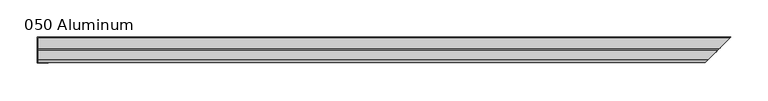
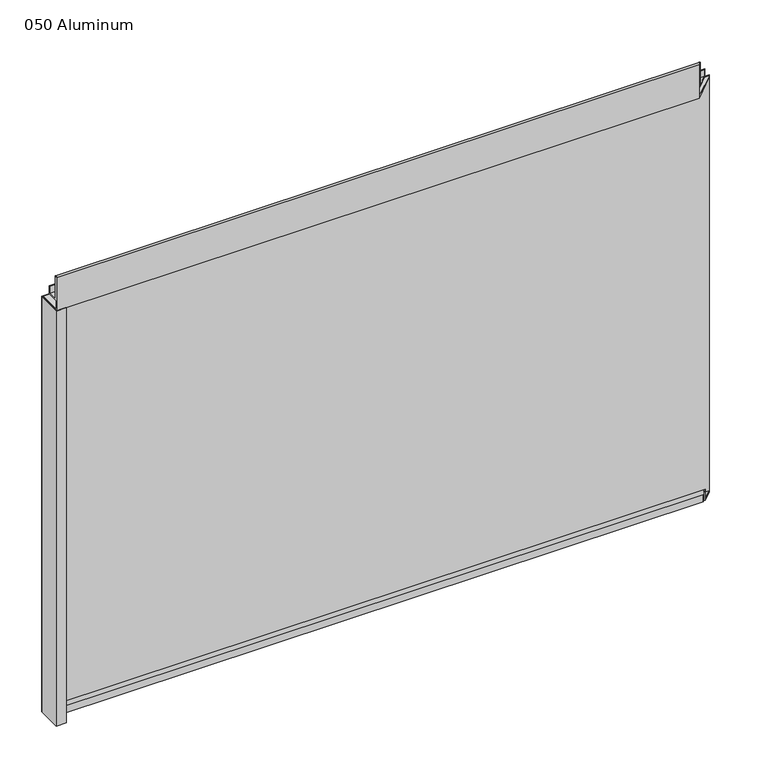
"""IFC4 building model written with IfcOpenShell, lengths in millimetres: plate geometry, 050 Aluminum."""

from ifc_helpers import new_model, si_unit, frame, origin, origin_with_axes, place, context, project, spatial, polyline, circle_curve, ellipse_curve, outline, extrude, source, transform, mapped, element, save
from ifc_brep_helpers import plane_surface, cylinder_surface, revolved_surface, advanced_brep


def plate_050_aluminum_fe2edaec(model_context):
    return source(origin(), model_context, "Body", "SolidModel", [
        extrude(outline(polyline([(-443.6268749, 2.5660257), (-430.7363743, 2.5660257), (-430.7363743, 1.2699999), (-444.8968748, 1.2699999), (-444.8968748, 34.7980001), (-443.6268749, 34.7980001), (-443.6268749, 2.5660257)])), origin_with_axes(), (0.0, 0.0, 1.0), 608.33),
        advanced_brep(
        [(-443.6268749, 16.6765477, 13.1458337), (-443.6268749, 23.0264743, 13.124237), (-443.6268749, 23.0264743, 1.2693678), (-443.6268749, 34.7980002, 1.2693678), (-443.6268749, 34.7980002, 0.0), (-443.6268749, 21.7564743, 0.0), (-443.6268749, 21.7564743, 13.124237), (-443.6268749, 17.9464915, 13.1323356), (-443.6268749, 17.9464915, 2.786437), (-443.6268749, 16.6765477, 2.786437), (461.5734227, 16.6765477, 2.786437), (461.5734227, 16.6765477, 13.1458337), (462.8433664, 17.9464915, 2.786437), (462.8433664, 17.9464915, 13.1323356), (466.6533492, 21.7564743, 13.124237), (466.6533492, 21.7564743, 0.0), (479.6948749, 34.7980002, 0.0), (479.6948749, 34.7980002, 1.2693678), (467.9233492, 23.0264743, 1.2693678), (467.9233492, 23.0264743, 13.124237)],
        [
            (0, 1, circle_curve(frame((-443.6268749, 19.8514743, 13.124237), z_axis=(-1.0, 0.0, 0.0), x_axis=(0.0, 0.0, -1.0)), 3.175)),
            (1, 2),
            (2, 3),
            (3, 4),
            (4, 5),
            (5, 6),
            (6, 7, circle_curve(frame((-443.6268749, 19.8514743, 13.124237), z_axis=(1.0, 0.0, 0.0), x_axis=(0.0, 0.0, -1.0)), 1.905)),
            (7, 8),
            (8, 9),
            (9, 0),
            (9, 10),
            (10, 11),
            (11, 0),
            (8, 12),
            (12, 10),
            (7, 13),
            (13, 12),
            (6, 14),
            (14, 13, ellipse_curve(frame((464.7483492, 19.8514743, 13.124237), z_axis=(0.7071067811865491, -0.707106781186546, 0.0), x_axis=(0.7071067811865459, 0.7071067811865491, 0.0)), 2.6940768, 1.905)),
            (5, 15),
            (15, 14),
            (4, 16),
            (16, 15),
            (3, 17),
            (17, 16),
            (2, 18),
            (18, 17),
            (1, 19),
            (19, 18),
            (11, 19, ellipse_curve(frame((464.7483492, 19.8514743, 13.124237), z_axis=(-0.7071067811865491, 0.707106781186546, 0.0), x_axis=(-0.7071067811865459, -0.7071067811865491, 0.0)), 4.4901281, 3.175)),
        ],
        [
            plane_surface(frame((-443.6268749, 36.068, 0.0), z_axis=(-1.0, 0.0, 0.0), x_axis=(0.0, 0.0, 1.0))),
            plane_surface(frame((-443.6268749, 16.6765477, 13.1458337), z_axis=(0.0, -1.0, 0.0), x_axis=(1.0, 0.0, 0.0))),
            plane_surface(frame((-443.6268749, 16.6765477, 2.786437), z_axis=(0.0, 0.0, -1.0), x_axis=(1.0, 0.0, 0.0))),
            plane_surface(frame((-443.6268749, 17.9464915, 2.786437), z_axis=(0.0, 1.0, 0.0), x_axis=(1.0, 0.0, 0.0))),
            revolved_surface(polyline([(466.6533491999999, 19.8514743, 11.219237000000001), (-443.6268749, 19.8514743, 11.219237000000001)]), (-443.6268749, 19.8514743, 13.124237), (1.0, 0.0, 0.0)),
            plane_surface(frame((-443.6268749, 21.7564743, 13.124237), z_axis=(0.0, -1.0, 0.0), x_axis=(1.0, 0.0, 0.0))),
            plane_surface(frame((-443.6268749, 21.7564743, 0.0), z_axis=(0.0, 0.0, -1.0), x_axis=(1.0, 0.0, 0.0))),
            plane_surface(frame((-443.6268749, 34.7980002, 0.0), z_axis=(0.0, 1.0, 0.0), x_axis=(1.0, 0.0, 0.0))),
            plane_surface(frame((-443.6268749, 34.7980002, 1.2693678), z_axis=(0.0, 0.0, 1.0), x_axis=(1.0, 0.0, 0.0))),
            plane_surface(frame((-443.6268749, 23.0264743, 1.2693678), z_axis=(0.0, 1.0, 0.0), x_axis=(1.0, 0.0, 0.0))),
            cylinder_surface(frame((-443.6268749, 19.8514743, 13.124237), z_axis=(-1.0, 0.0, 0.0), x_axis=(0.0, 0.0, -1.0)), 3.175),
            plane_surface(frame((444.8968749, 0.0, 795.4549971), z_axis=(0.7071067811865491, -0.707106781186546, 0.0), x_axis=(0.0, 0.0, -1.0))),
        ],
        [
            (0, [[1, 2, 3, 4, 5, 6, 7, 8, 9, 10]]),
            (1, [[11, 12, 13, -10]]),
            (2, [[14, 15, -11, -9]]),
            (3, [[16, 17, -14, -8]]),
            (4, [[18, 19, -16, -7]]),
            (5, [[20, 21, -18, -6]]),
            (6, [[22, 23, -20, -5]]),
            (7, [[24, 25, -22, -4]]),
            (8, [[26, 27, -24, -3]]),
            (9, [[28, 29, -26, -2]]),
            (10, [[-13, 30, -28, -1]]),
            (11, [[-15, -17, -19, -21, -23, -25, -27, -29, -30, -12]]),
        ],
    ),
        advanced_brep(
        [(-443.6268749, 2.0574743, 656.7932001), (-443.6268749, 5.3594742, 656.7932001), (-443.6268749, 5.3594742, 623.57), (-443.6268749, 19.2164743, 623.57), (-443.6268749, 19.2164743, 633.6538), (-443.6268749, 20.4864742, 633.6538), (-443.6268749, 20.4864742, 622.3), (-443.6268749, 4.0894742, 622.3), (-443.6268749, 4.0894742, 656.7932001), (-443.6268749, 3.3274743, 656.7932001), (-443.6268749, 3.3274743, 609.6000001), (-443.6268749, 34.7980002, 609.6000001), (-443.6268749, 34.7980002, 608.33), (-443.6268749, 2.0574743, 608.33), (446.9543492, 2.0574743, 608.33), (446.9543492, 2.0574743, 656.7932001), (479.6948749, 34.7980002, 608.33), (479.6948749, 34.7980002, 609.6000001), (448.2243492, 3.3274743, 609.6000001), (448.2243492, 3.3274743, 656.7932001), (448.9863491, 4.0894742, 656.7932001), (448.9863491, 4.0894742, 622.3), (465.3833492, 20.4864742, 622.3), (465.3833492, 20.4864742, 633.6538), (464.1133492, 19.2164743, 633.6538), (464.1133492, 19.2164743, 623.57), (450.2563491, 5.3594742, 623.57), (450.2563491, 5.3594742, 656.7932001)],
        [
            (0, 1, circle_curve(frame((-443.6268749, 3.7084742, 656.7932001), z_axis=(-1.0, 0.0, 0.0), x_axis=(0.0, 0.0, -1.0)), 1.6509999)),
            (1, 2),
            (2, 3),
            (3, 4),
            (4, 5),
            (5, 6),
            (6, 7),
            (7, 8),
            (8, 9, circle_curve(frame((-443.6268749, 3.7084742, 656.7932001), z_axis=(1.0, 0.0, 0.0), x_axis=(0.0, 0.0, -1.0)), 0.3809999)),
            (9, 10),
            (10, 11),
            (11, 12),
            (12, 13),
            (13, 0),
            (13, 14),
            (14, 15),
            (15, 0),
            (12, 16),
            (16, 14),
            (11, 17),
            (17, 16),
            (10, 18),
            (18, 17),
            (9, 19),
            (19, 18),
            (8, 20),
            (20, 19, ellipse_curve(frame((448.6053492, 3.7084742, 656.7932001), z_axis=(0.7071067811865491, -0.707106781186546, 0.0), x_axis=(0.7071067811865459, 0.7071067811865491, 0.0)), 0.5388153, 0.3809999)),
            (7, 21),
            (21, 20),
            (6, 22),
            (22, 21),
            (5, 23),
            (23, 22),
            (4, 24),
            (24, 23),
            (3, 25),
            (25, 24),
            (2, 26),
            (26, 25),
            (1, 27),
            (27, 26),
            (15, 27, ellipse_curve(frame((448.6053492, 3.7084742, 656.7932001), z_axis=(-0.7071067811865491, 0.707106781186546, 0.0), x_axis=(-0.7071067811865459, -0.7071067811865491, 0.0)), 2.3348665, 1.6509999)),
        ],
        [
            plane_surface(frame((-443.6268749, 36.068, 609.6), z_axis=(-1.0, 0.0, 0.0), x_axis=(0.0, 0.0, 1.0))),
            plane_surface(frame((-443.6268749, 2.0574743, 656.7932001), z_axis=(0.0, -1.0, 0.0), x_axis=(1.0, 0.0, 0.0))),
            plane_surface(frame((-443.6268749, 2.0574743, 608.33), z_axis=(0.0, 0.0, -1.0), x_axis=(1.0, 0.0, 0.0))),
            plane_surface(frame((-443.6268749, 34.7980002, 608.33), z_axis=(0.0, 1.0, 0.0), x_axis=(1.0, 0.0, 0.0))),
            plane_surface(frame((-443.6268749, 34.7980002, 609.6000001), z_axis=(0.0, 0.0, 1.0), x_axis=(1.0, 0.0, 0.0))),
            plane_surface(frame((-443.6268749, 3.3274743, 609.6000001), z_axis=(0.0, 1.0, 0.0), x_axis=(1.0, 0.0, 0.0))),
            revolved_surface(polyline([(448.98634915243696, 3.7084742, 656.4122002), (-443.6268749, 3.7084742, 656.4122002)]), (-443.6268749, 3.7084742, 656.7932001), (1.0, 0.0, 0.0)),
            plane_surface(frame((-443.6268749, 4.0894742, 656.7932001), z_axis=(0.0, -1.0, 0.0), x_axis=(1.0, 0.0, 0.0))),
            plane_surface(frame((-443.6268749, 4.0894742, 622.3), z_axis=(0.0, 0.0, -1.0), x_axis=(1.0, 0.0, 0.0))),
            plane_surface(frame((-443.6268749, 20.4864742, 622.3), z_axis=(0.0, 1.0, 0.0), x_axis=(1.0, 0.0, 0.0))),
            plane_surface(frame((-443.6268749, 20.4864742, 633.6538), z_axis=(0.0, 0.0, 1.0), x_axis=(1.0, 0.0, 0.0))),
            plane_surface(frame((-443.6268749, 19.2164743, 633.6538), z_axis=(0.0, -1.0, 0.0), x_axis=(1.0, 0.0, 0.0))),
            plane_surface(frame((-443.6268749, 19.2164743, 623.57), z_axis=(0.0, 0.0, 1.0), x_axis=(1.0, 0.0, 0.0))),
            plane_surface(frame((-443.6268749, 5.3594742, 623.57), z_axis=(0.0, 1.0, 0.0), x_axis=(1.0, 0.0, 0.0))),
            cylinder_surface(frame((-443.6268749, 3.7084742, 656.7932001), z_axis=(-1.0, 0.0, 0.0), x_axis=(0.0, 0.0, -1.0)), 1.6509999),
            plane_surface(frame((444.8968749, 0.0, 795.4549971), z_axis=(0.7071067811865491, -0.707106781186546, 0.0), x_axis=(0.0, 0.0, -1.0))),
        ],
        [
            (0, [[1, 2, 3, 4, 5, 6, 7, 8, 9, 10, 11, 12, 13, 14]]),
            (1, [[15, 16, 17, -14]]),
            (2, [[18, 19, -15, -13]]),
            (3, [[20, 21, -18, -12]]),
            (4, [[22, 23, -20, -11]]),
            (5, [[24, 25, -22, -10]]),
            (6, [[26, 27, -24, -9]]),
            (7, [[28, 29, -26, -8]]),
            (8, [[30, 31, -28, -7]]),
            (9, [[32, 33, -30, -6]]),
            (10, [[34, 35, -32, -5]]),
            (11, [[36, 37, -34, -4]]),
            (12, [[38, 39, -36, -3]]),
            (13, [[40, 41, -38, -2]]),
            (14, [[-17, 42, -40, -1]]),
            (15, [[-19, -21, -23, -25, -27, -29, -31, -33, -35, -37, -39, -41, -42, -16]]),
        ],
    ),
        extrude(outline(polyline([(-444.8968749, 36.068), (480.9648749, 36.068), (479.694875, 34.7980001), (-444.8968749, 34.7980001), (-444.8968749, 36.068)])), origin_with_axes(), (0.0, 0.0, 1.0), 609.6),
    ])


if __name__ == "__main__":
    model = new_model("IFC4")
    model_context = context("Model", 3, world=origin())
    ifc_project = project(units=[si_unit("LENGTHUNIT", "METRE", prefix="MILLI")], contexts=[model_context])
    site = spatial("IfcSite", under=ifc_project)
    building = spatial("IfcBuilding", under=site)
    placement = place(None, origin())
    plate_050_aluminum_shape = plate_050_aluminum_fe2edaec(model_context)
    element("IfcPlate", 1, ObjectType="050 Aluminum", at=placement, inside=building, context=model_context, shape_type="MappedRepresentation", body=[
        mapped(plate_050_aluminum_shape, transform((0.0, 0.0, 0.0), x_axis=(1.0, 0.0, 0.0), y_axis=(0.0, 1.0, 0.0), z_axis=(0.0, 0.0, 1.0))),
    ])
    save(model, "model.ifc")
